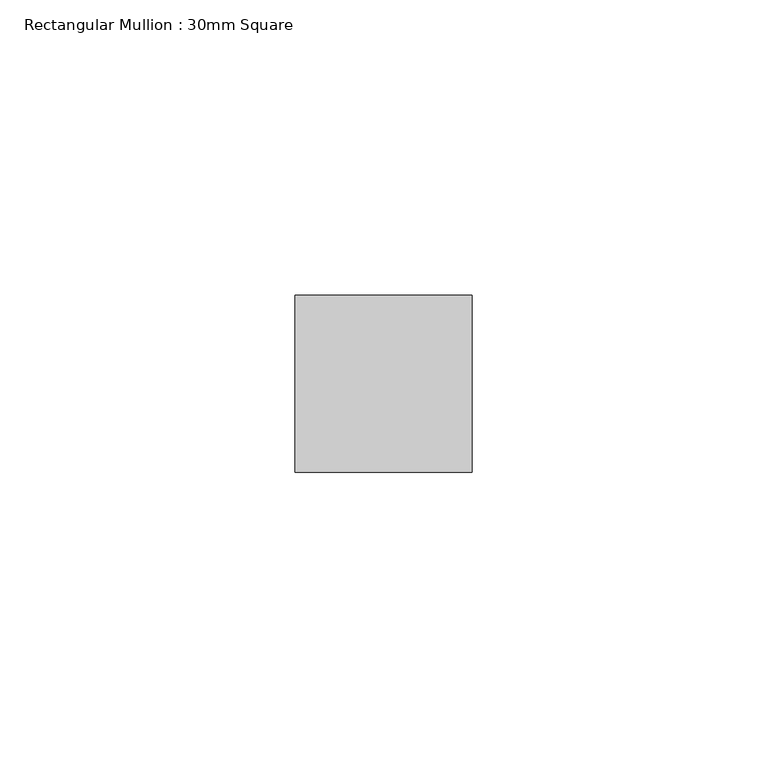
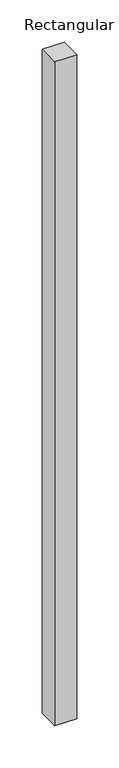
"""IFC4 building model written with IfcOpenShell, lengths in millimetres: member geometry, Rectangular Mullion : 30mm Square."""

from ifc_helpers import new_model, si_unit, frame, origin, place, context, project, spatial, polyline, outline, extrude, source, transform, mapped, element, save


def rectangular_mullion_30mm_square_1933750e(model_context):
    return source(origin(), model_context, "Body", "SweptSolid", [
        extrude(outline(polyline([(0.0, 15.0), (0.0, -15.0), (-30.0, -15.0), (-30.0, 15.0), (0.0, 15.0)])), frame((0.0, 0.0, -961.4407667), z_axis=(0.0, 0.0, 1.0), x_axis=(1.0, 0.0, 0.0)), (0.0, 0.0, 1.0), 961.4407667),
    ])


if __name__ == "__main__":
    model = new_model("IFC4")
    model_context = context("Model", 3, world=origin())
    ifc_project = project(units=[si_unit("LENGTHUNIT", "METRE", prefix="MILLI")], contexts=[model_context])
    site = spatial("IfcSite", under=ifc_project)
    building = spatial("IfcBuilding", under=site)
    placement = place(None, origin())
    rectangular_mullion_30mm_square_shape = rectangular_mullion_30mm_square_1933750e(model_context)
    element("IfcMember", 1, ObjectType="Rectangular Mullion : 30mm Square", at=placement, inside=building, context=model_context, shape_type="MappedRepresentation", body=[
        mapped(rectangular_mullion_30mm_square_shape, transform((0.0, 0.0, 0.0), x_axis=(1.0, 0.0, 0.0), y_axis=(0.0, 1.0, 0.0), z_axis=(0.0, 0.0, 1.0))),
    ])
    save(model, "model.ifc")
